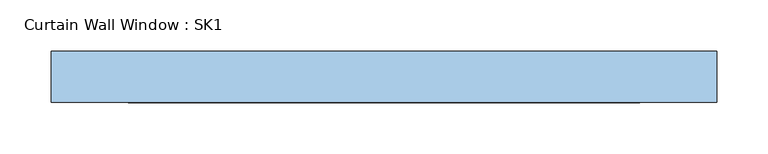
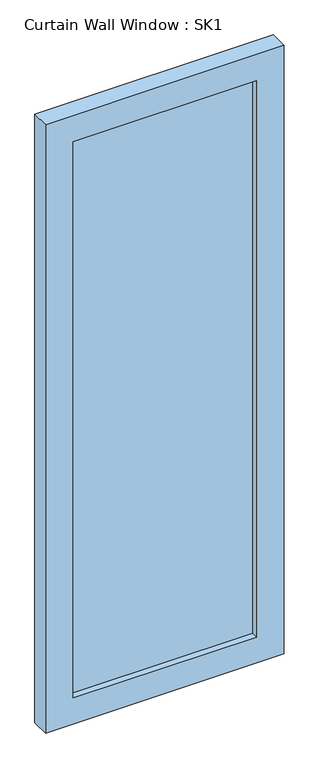
"""IFC4 building model written with IfcOpenShell, lengths in millimetres: window geometry, Curtain Wall Window : SK1."""

from ifc_helpers import new_model, si_unit, frame, origin, place, context, project, spatial, polyline, outline, extrude, source, transform, mapped, element, save


def curtain_wall_window_sk1_9ba9ebc4(model_context):
    return source(origin(), model_context, "Body", "SweptSolid", [
        extrude(outline(polyline([(249.9998148, -44.05), (249.9998148, -56.75), (-249.9998148, -56.75), (-249.9998148, -44.05), (249.9998148, -44.05)])), frame((0.0, 0.0, 75.0), z_axis=(0.0, 0.0, 1.0), x_axis=(1.0, 0.0, 0.0)), (0.0, 0.0, 1.0), 1600.0),
        extrude(outline(polyline([(1750.0, -324.9998148), (0.0, -324.9998148), (0.0, 324.9998148), (1750.0, 324.9998148), (1750.0, -324.9998148)]), holes=[polyline([(1675.0, -249.9998148), (1675.0, 249.9998148), (75.0, 249.9998148), (75.0, -249.9998148), (1675.0, -249.9998148)])]), frame((0.0, -75.0, 0.0), z_axis=(0.0, 1.0, 0.0), x_axis=(0.0, 0.0, 1.0)), (0.0, 0.0, 1.0), 50.0),
    ])


if __name__ == "__main__":
    model = new_model("IFC4")
    model_context = context("Model", 3, world=origin())
    ifc_project = project(units=[si_unit("LENGTHUNIT", "METRE", prefix="MILLI")], contexts=[model_context])
    site = spatial("IfcSite", under=ifc_project)
    building = spatial("IfcBuilding", under=site)
    placement = place(None, origin())
    curtain_wall_window_sk1_shape = curtain_wall_window_sk1_9ba9ebc4(model_context)
    element("IfcWindow", 1, ObjectType="Curtain Wall Window : SK1", at=placement, inside=building, context=model_context, shape_type="MappedRepresentation", body=[
        mapped(curtain_wall_window_sk1_shape, transform((0.0, 0.0, 0.0), x_axis=(1.0, 0.0, 0.0), y_axis=(0.0, 1.0, 0.0), z_axis=(0.0, 0.0, 1.0))),
    ])
    save(model, "model.ifc")
